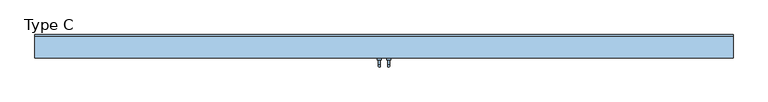
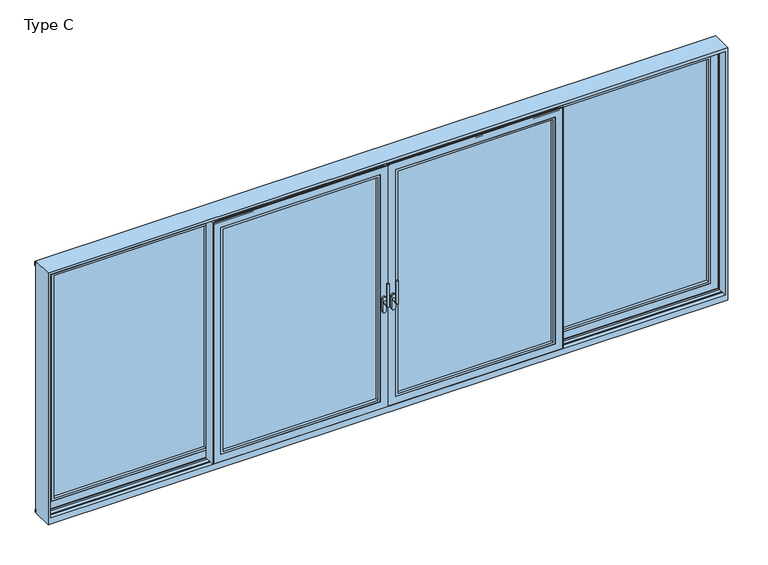
"""IFC4 building model written with IfcOpenShell, lengths in millimetres: window geometry, Type C."""

from ifc_helpers import new_model, si_unit, point, frame, frame_2d, origin, place, context, project, spatial, polyline, circle_curve, ellipse_curve, trimmed, segment, composite_curve, outline, extrude, faceted_brep, source, transform, mapped, element, save
from ifc_brep_helpers import plane_surface, cylinder_surface, advanced_brep


def type_c_1e864a98(model_context):
    return source(origin(), model_context, "Body", "SolidModel", [
        advanced_brep(
        [(30.0, -111.0, 995.0), (50.0, -111.0, 995.0), (30.0, -163.0, 995.0), (50.0, -163.0, 995.0), (30.0, -163.0, 1195.0), (50.0, -163.0, 1195.0)],
        [
            (0, 1, circle_curve(frame((40.0, -111.0, 995.0), z_axis=(0.0, 1.0, 0.0), x_axis=(1.0000000000000009, 0.0, 0.0)), 10.0)),
            (1, 0, circle_curve(frame((40.0, -111.0, 995.0), z_axis=(0.0, 1.0, 0.0), x_axis=(1.0000000000000009, 0.0, 0.0)), 10.0)),
            (0, 2),
            (2, 3, ellipse_curve(frame((40.0, -163.0, 995.0), z_axis=(0.0, 0.7071067811865475, -0.7071067811865475), x_axis=(0.0, 0.7071067811865476, 0.7071067811865474)), 14.1421356, 10.0)),
            (3, 1),
            (3, 2, ellipse_curve(frame((40.0, -163.0, 995.0), z_axis=(0.0, 0.7071067811865475, -0.7071067811865475), x_axis=(0.0, 0.7071067811865476, 0.7071067811865474)), 14.1421356, 10.0)),
            (4, 5, circle_curve(frame((40.0, -163.0, 1195.0), z_axis=(0.0, 0.0, 1.0), x_axis=(1.0000000000000009, 0.0, 0.0)), 10.0)),
            (5, 4, circle_curve(frame((40.0, -163.0, 1195.0), z_axis=(0.0, 0.0, 1.0), x_axis=(1.0000000000000009, 0.0, 0.0)), 10.0)),
            (2, 4),
            (5, 3),
        ],
        [
            plane_surface(frame((40.0, -111.0, 995.0), z_axis=(0.0, 1.0, 0.0), x_axis=(1.0, 0.0, 0.0))),
            cylinder_surface(frame((40.0, -111.0, 995.0), z_axis=(0.0, 1.0000000000000009, 0.0), x_axis=(1.0000000000000009, 0.0, 0.0)), 10.0),
            plane_surface(frame((40.0, -163.0, 1195.0), z_axis=(0.0, 0.0, 1.0), x_axis=(1.0, 0.0, 0.0))),
            cylinder_surface(frame((40.0, -163.0, 995.0), z_axis=(0.0, 0.0, -1.0), x_axis=(1.0000000000000009, 0.0, 0.0)), 10.0),
        ],
        [
            (0, [[1, 2]]),
            (1, [[-1, 3, 4, 5]]),
            (1, [[-2, -5, 6, -3]]),
            (2, [[7, 8]]),
            (3, [[-4, 9, -8, 10]]),
            (3, [[-6, -10, -7, -9]]),
        ],
    ),
        extrude(outline(composite_curve([segment(trimmed(circle_curve(frame_2d((913.2823932, 40.0)), 16.75), [point((913.2823932, 23.25))], [point((913.2823932, 56.75))], False, "CARTESIAN"), True, "CONTINUOUS"), segment(polyline([(913.2823932, 56.75), (1025.0099288, 56.75)]), True, "CONTINUOUS"), segment(trimmed(circle_curve(frame_2d((1025.0099288, 40.0)), 16.75), [point((1025.0099288, 56.75))], [point((1025.0099288, 23.25))], False, "CARTESIAN"), True, "CONTINUOUS"), segment(polyline([(1025.0099288, 23.25), (913.2823932, 23.25)]), True, "CONTINUOUS")], self_intersect=False)), frame((0.0, -111.0, 0.0), z_axis=(0.0, 1.0, 0.0), x_axis=(0.0, 0.0, 1.0)), (0.0, 0.0, 1.0), 16.0),
        extrude(outline(polyline([(1542.5, 4.0), (1542.5, -95.0), (1536.5, -95.0), (1536.5, -92.0), (1519.5, -92.0), (1519.5, -18.0), (1534.5, -18.0), (1534.5, -15.0), (1486.5, -15.0), (1486.5, -9.0), (1501.0, -9.0), (1501.0, 1.0013087), (1495.0, 1.0013087), (1495.0, 4.0), (1542.5, 4.0)])), frame((0.0, 0.0, 3.5), z_axis=(0.0, 0.0, 1.0), x_axis=(1.0, 0.0, 0.0)), (0.0, 0.0, 1.0), 2241.5),
        faceted_brep([(1519.5, -92.0, 2230.0), (1519.5, -18.0, 2230.0), (18.5, -18.0, 2230.0), (18.5, -92.0, 2230.0), (3.5, -18.0, 2245.0), (3.5, -15.0, 2245.0), (3.5, -15.0, 3.5), (3.5, -18.0, 3.5), (1534.5, -15.0, 3.5), (1534.5, -18.0, 3.5), (1534.5, -15.0, 2245.0), (1449.5, -15.0, 88.5), (1449.5, -15.0, 2160.0), (88.5, -15.0, 2160.0), (88.5, -15.0, 88.5), (1534.5, -18.0, 2245.0), (18.5, -18.0, 18.5), (1519.5, -18.0, 18.5), (3.5, -95.0, 2245.0), (3.5, -92.0, 2245.0), (3.5, -92.0, 3.5), (3.5, -95.0, 3.5), (1534.5, -92.0, 3.5), (1534.5, -95.0, 3.5), (1534.5, -92.0, 2245.0), (1519.5, -92.0, 18.5), (18.5, -92.0, 18.5), (1534.5, -95.0, 2245.0), (68.5, -95.0, 68.5), (68.5, -95.0, 2180.0), (1469.5, -95.0, 2180.0), (1469.5, -95.0, 68.5), (68.5, -23.0, 2180.0), (68.5, -23.0, 68.5), (1469.5, -23.0, 68.5), (1469.5, -23.0, 2180.0), (88.5, -23.0, 88.5), (88.5, -23.0, 2160.0), (1449.5, -23.0, 2160.0), (1449.5, -23.0, 88.5)], [[[0, 1, 2, 3]], [[4, 5, 6, 7]], [[7, 6, 8, 9]], [[6, 5, 10, 8], [11, 12, 13, 14]], [[9, 8, 10, 15]], [[9, 15, 4, 7], [16, 2, 1, 17]], [[18, 19, 20, 21]], [[21, 20, 22, 23]], [[20, 19, 24, 22], [25, 0, 3, 26]], [[23, 22, 24, 27]], [[23, 27, 18, 21], [28, 29, 30, 31]], [[32, 29, 28, 33]], [[33, 28, 31, 34]], [[34, 31, 30, 35]], [[34, 35, 32, 33], [36, 37, 38, 39]], [[13, 37, 36, 14]], [[14, 36, 39, 11]], [[11, 39, 38, 12]], [[3, 2, 16, 26]], [[25, 17, 1, 0]], [[26, 16, 17, 25]], [[15, 10, 5, 4]], [[27, 24, 19, 18]], [[35, 30, 29, 32]], [[12, 38, 37, 13]]]),
        extrude(outline(polyline([(2180.0, 68.5), (68.5, 68.5), (68.5, 1469.5), (2180.0, 1469.5), (2180.0, 68.5)]), holes=[polyline([(2160.0, 1449.5), (88.5, 1449.5), (88.5, 88.5), (2160.0, 88.5), (2160.0, 1449.5)])]), frame((0.0, -94.5, 0.0), z_axis=(0.0, 1.0, 0.0), x_axis=(0.0, 0.0, 1.0)), (0.0, 0.0, 1.0), 25.5),
        extrude(outline(polyline([(68.5, -23.0), (1469.5, -23.0), (1469.5, -69.0), (68.5, -69.0), (68.5, -23.0)])), frame((0.0, 0.0, 68.5), z_axis=(0.0, 0.0, 1.0), x_axis=(1.0, 0.0, 0.0)), (0.0, 0.0, 1.0), 2111.5),
        extrude(outline(polyline([(1519.5, -46.0), (1519.5, -64.0), (18.5, -64.0), (18.5, -46.0), (1519.5, -46.0)])), frame((0.0, 0.0, 2230.0), z_axis=(0.0, 0.0, 1.0), x_axis=(1.0, 0.0, 0.0)), (0.0, 0.0, 1.0), 20.0),
        extrude(outline(polyline([(2946.5, 87.0), (2965.0, 87.0), (2965.0, 80.0), (2946.5, 80.0), (2946.5, 87.0)])), frame((0.0, 0.0, 18.5), z_axis=(0.0, 0.0, 1.0), x_axis=(1.0, 0.0, 0.0)), (0.0, 0.0, 1.0), 2211.5),
        extrude(outline(polyline([(2946.5, 20.0), (2965.0, 20.0), (2965.0, 13.0), (2946.5, 13.0), (2946.5, 20.0)])), frame((0.0, 0.0, 18.5), z_axis=(0.0, 0.0, 1.0), x_axis=(1.0, 0.0, 0.0)), (0.0, 0.0, 1.0), 2211.5),
        extrude(outline(polyline([(1495.0, -9.0), (1447.5, -9.0), (1447.5, 90.0), (1453.5, 90.0), (1453.5, 87.0), (1470.5, 87.0), (1470.5, 13.0), (1455.5, 13.0), (1455.5, 10.0), (1503.5, 10.0), (1503.5, 4.0), (1489.0, 4.0), (1489.0, -6.0013087), (1495.0, -6.0013087), (1495.0, -9.0)])), frame((0.0, 0.0, 3.5), z_axis=(0.0, 0.0, 1.0), x_axis=(1.0, 0.0, 0.0)), (0.0, 0.0, 1.0), 2241.5),
        faceted_brep([(2961.5, 87.0, 2245.0), (2961.5, 87.0, 3.5), (2961.5, 90.0, 3.5), (2961.5, 90.0, 2245.0), (1455.5, 87.0, 3.5), (1455.5, 90.0, 3.5), (1455.5, 90.0, 2245.0), (1540.5, 90.0, 88.5), (2876.5, 90.0, 88.5), (2876.5, 90.0, 2160.0), (1540.5, 90.0, 2160.0), (1455.5, 87.0, 2245.0), (2946.5, 87.0, 18.5), (1470.5, 87.0, 18.5), (1470.5, 87.0, 2230.0), (2946.5, 87.0, 2230.0), (2961.5, 13.0, 3.5), (1455.5, 13.0, 3.5), (1455.5, 13.0, 2245.0), (2961.5, 13.0, 2245.0), (1470.5, 13.0, 18.5), (2946.5, 13.0, 18.5), (2946.5, 13.0, 2230.0), (1470.5, 13.0, 2230.0), (2961.5, 10.0, 2245.0), (2961.5, 10.0, 3.5), (1455.5, 10.0, 3.5), (1455.5, 10.0, 2245.0), (2896.5, 10.0, 68.5), (1520.5, 10.0, 68.5), (1520.5, 10.0, 2180.0), (2896.5, 10.0, 2180.0), (2896.5, 82.0, 2180.0), (2896.5, 82.0, 68.5), (1520.5, 82.0, 68.5), (1520.5, 82.0, 2180.0), (2876.5, 82.0, 88.5), (1540.5, 82.0, 88.5), (1540.5, 82.0, 2160.0), (2876.5, 82.0, 2160.0)], [[[0, 1, 2, 3]], [[1, 4, 5, 2]], [[2, 5, 6, 3], [7, 8, 9, 10]], [[4, 11, 6, 5]], [[4, 1, 0, 11], [12, 13, 14, 15]], [[16, 17, 18, 19], [20, 21, 22, 23]], [[24, 25, 16, 19]], [[25, 26, 17, 16]], [[26, 27, 18, 17]], [[26, 25, 24, 27], [28, 29, 30, 31]], [[32, 33, 28, 31]], [[33, 34, 29, 28]], [[34, 35, 30, 29]], [[34, 33, 32, 35], [36, 37, 38, 39]], [[9, 8, 36, 39]], [[8, 7, 37, 36]], [[7, 10, 38, 37]], [[11, 0, 3, 6]], [[27, 24, 19, 18]], [[35, 32, 31, 30]], [[10, 9, 39, 38]], [[22, 21, 12, 15]], [[20, 23, 14, 13]], [[21, 20, 13, 12]], [[23, 22, 15, 14]]]),
        extrude(outline(polyline([(2180.0, 2896.5), (2180.0, 1520.5), (68.5, 1520.5), (68.5, 2896.5), (2180.0, 2896.5)]), holes=[polyline([(2160.0, 1540.5), (2160.0, 2876.5), (88.5, 2876.5), (88.5, 1540.5), (2160.0, 1540.5)])]), frame((0.0, 10.5, 0.0), z_axis=(0.0, 1.0, 0.0), x_axis=(0.0, 0.0, 1.0)), (0.0, 0.0, 1.0), 25.5),
        extrude(outline(polyline([(2896.5, 82.0), (2896.5, 36.0), (1520.5, 36.0), (1520.5, 82.0), (2896.5, 82.0)])), frame((0.0, 0.0, 68.5), z_axis=(0.0, 0.0, 1.0), x_axis=(1.0, 0.0, 0.0)), (0.0, 0.0, 1.0), 2111.5),
        extrude(outline(polyline([(1470.5, 59.0), (2946.5, 59.0), (2946.5, 41.0), (1470.5, 41.0), (1470.5, 59.0)])), frame((0.0, 0.0, 2230.0), z_axis=(0.0, 0.0, 1.0), x_axis=(1.0, 0.0, 0.0)), (0.0, 0.0, 1.0), 20.0),
        advanced_brep(
        [(-30.0, -111.0, 995.0), (-50.0, -111.0, 995.0), (-50.0, -163.0, 995.0), (-30.0, -163.0, 995.0), (-30.0, -163.0, 1195.0), (-50.0, -163.0, 1195.0)],
        [
            (0, 1, circle_curve(frame((-40.0, -111.0, 995.0), z_axis=(0.0, 1.0, 0.0), x_axis=(-1.0000000000000009, 0.0, 0.0)), 10.0)),
            (1, 0, circle_curve(frame((-40.0, -111.0, 995.0), z_axis=(0.0, 1.0, 0.0), x_axis=(-1.0000000000000009, 0.0, 0.0)), 10.0)),
            (1, 2),
            (2, 3, ellipse_curve(frame((-40.0, -163.0, 995.0), z_axis=(0.0, 0.7071067811865475, -0.7071067811865475), x_axis=(0.0, 0.7071067811865476, 0.7071067811865474)), 14.1421356, 10.0)),
            (3, 0),
            (3, 2, ellipse_curve(frame((-40.0, -163.0, 995.0), z_axis=(0.0, 0.7071067811865475, -0.7071067811865475), x_axis=(0.0, 0.7071067811865476, 0.7071067811865474)), 14.1421356, 10.0)),
            (4, 5, circle_curve(frame((-40.0, -163.0, 1195.0), z_axis=(0.0, 0.0, 1.0), x_axis=(-1.0000000000000009, 0.0, 0.0)), 10.0)),
            (5, 4, circle_curve(frame((-40.0, -163.0, 1195.0), z_axis=(0.0, 0.0, 1.0), x_axis=(-1.0000000000000009, 0.0, 0.0)), 10.0)),
            (2, 5),
            (4, 3),
        ],
        [
            plane_surface(frame((-40.0, -111.0, 995.0), z_axis=(0.0, 1.0, 0.0), x_axis=(-1.0, 0.0, 0.0))),
            cylinder_surface(frame((-40.0, -111.0, 995.0), z_axis=(0.0, 1.0000000000000009, 0.0), x_axis=(-1.0000000000000009, 0.0, 0.0)), 10.0),
            plane_surface(frame((-40.0, -163.0, 1195.0), z_axis=(0.0, 0.0, 1.0), x_axis=(-1.0, 0.0, 0.0))),
            cylinder_surface(frame((-40.0, -163.0, 995.0), z_axis=(0.0, 0.0, -1.0), x_axis=(-1.0000000000000009, 0.0, 0.0)), 10.0),
        ],
        [
            (0, [[1, 2]]),
            (1, [[3, 4, 5, -2]]),
            (1, [[-5, 6, -3, -1]]),
            (2, [[7, 8]]),
            (3, [[9, -7, 10, -4]]),
            (3, [[-10, -8, -9, -6]]),
        ],
    ),
        extrude(outline(composite_curve([segment(polyline([(913.2823932, -23.25), (1025.0099288, -23.25)]), True, "CONTINUOUS"), segment(trimmed(circle_curve(frame_2d((1025.0099288, -40.0)), 16.75), [point((1025.0099288, -23.25))], [point((1025.0099288, -56.75))], False, "CARTESIAN"), True, "CONTINUOUS"), segment(polyline([(1025.0099288, -56.75), (913.2823932, -56.75)]), True, "CONTINUOUS"), segment(trimmed(circle_curve(frame_2d((913.2823932, -40.0)), 16.75), [point((913.2823932, -56.75))], [point((913.2823932, -23.25))], False, "CARTESIAN"), True, "CONTINUOUS")], self_intersect=False)), frame((0.0, -111.0, 0.0), z_axis=(0.0, 1.0, 0.0), x_axis=(0.0, 0.0, 1.0)), (0.0, 0.0, 1.0), 16.0),
        extrude(outline(polyline([(3.0, -49.0), (18.5, -49.0), (18.5, -61.0), (3.0, -61.0), (3.0, -72.0), (-18.5, -72.0), (-18.5, -38.0), (3.0, -38.0), (3.0, -49.0)])), frame((0.0, 0.0, 18.5), z_axis=(0.0, 0.0, 1.0), x_axis=(1.0, 0.0, 0.0)), (0.0, 0.0, 1.0), 2211.5),
        extrude(outline(polyline([(-1542.5, 4.0), (-1495.0, 4.0), (-1495.0, 1.0013087), (-1501.0, 1.0013087), (-1501.0, -9.0), (-1486.5, -9.0), (-1486.5, -15.0), (-1534.5, -15.0), (-1534.5, -18.0), (-1519.5, -18.0), (-1519.5, -92.0), (-1536.5, -92.0), (-1536.5, -95.0), (-1542.5, -95.0), (-1542.5, 4.0)])), frame((0.0, 0.0, 3.5), z_axis=(0.0, 0.0, 1.0), x_axis=(1.0, 0.0, 0.0)), (0.0, 0.0, 1.0), 2241.5),
        faceted_brep([(-1519.5, -92.0, 2230.0), (-18.5, -92.0, 2230.0), (-18.5, -18.0, 2230.0), (-1519.5, -18.0, 2230.0), (-3.5, -18.0, 2245.0), (-3.5, -18.0, 3.5), (-3.5, -15.0, 3.5), (-3.5, -15.0, 2245.0), (-1534.5, -18.0, 3.5), (-1534.5, -15.0, 3.5), (-1534.5, -15.0, 2245.0), (-1449.5, -15.0, 88.5), (-88.5, -15.0, 88.5), (-88.5, -15.0, 2160.0), (-1449.5, -15.0, 2160.0), (-1534.5, -18.0, 2245.0), (-18.5, -18.0, 18.5), (-1519.5, -18.0, 18.5), (-3.5, -95.0, 2245.0), (-3.5, -95.0, 3.5), (-3.5, -92.0, 3.5), (-3.5, -92.0, 2245.0), (-1534.5, -95.0, 3.5), (-1534.5, -92.0, 3.5), (-1534.5, -92.0, 2245.0), (-1519.5, -92.0, 18.5), (-18.5, -92.0, 18.5), (-1534.5, -95.0, 2245.0), (-68.5, -95.0, 68.5), (-1469.5, -95.0, 68.5), (-1469.5, -95.0, 2180.0), (-68.5, -95.0, 2180.0), (-68.5, -23.0, 2180.0), (-68.5, -23.0, 68.5), (-1469.5, -23.0, 68.5), (-1469.5, -23.0, 2180.0), (-88.5, -23.0, 88.5), (-1449.5, -23.0, 88.5), (-1449.5, -23.0, 2160.0), (-88.5, -23.0, 2160.0)], [[[0, 1, 2, 3]], [[4, 5, 6, 7]], [[5, 8, 9, 6]], [[6, 9, 10, 7], [11, 12, 13, 14]], [[8, 15, 10, 9]], [[8, 5, 4, 15], [16, 17, 3, 2]], [[18, 19, 20, 21]], [[19, 22, 23, 20]], [[20, 23, 24, 21], [25, 26, 1, 0]], [[22, 27, 24, 23]], [[22, 19, 18, 27], [28, 29, 30, 31]], [[32, 33, 28, 31]], [[33, 34, 29, 28]], [[34, 35, 30, 29]], [[34, 33, 32, 35], [36, 37, 38, 39]], [[13, 12, 36, 39]], [[12, 11, 37, 36]], [[11, 14, 38, 37]], [[1, 26, 16, 2]], [[25, 0, 3, 17]], [[26, 25, 17, 16]], [[15, 4, 7, 10]], [[27, 18, 21, 24]], [[35, 32, 31, 30]], [[14, 13, 39, 38]]]),
        extrude(outline(polyline([(2180.0, -68.5), (2180.0, -1469.5), (68.5, -1469.5), (68.5, -68.5), (2180.0, -68.5)]), holes=[polyline([(2160.0, -1449.5), (2160.0, -88.5), (88.5, -88.5), (88.5, -1449.5), (2160.0, -1449.5)])]), frame((0.0, -94.5, 0.0), z_axis=(0.0, 1.0, 0.0), x_axis=(0.0, 0.0, 1.0)), (0.0, 0.0, 1.0), 25.5),
        extrude(outline(polyline([(-68.5, -23.0), (-68.5, -69.0), (-1469.5, -69.0), (-1469.5, -23.0), (-68.5, -23.0)])), frame((0.0, 0.0, 68.5), z_axis=(0.0, 0.0, 1.0), x_axis=(1.0, 0.0, 0.0)), (0.0, 0.0, 1.0), 2111.5),
        extrude(outline(polyline([(-1519.5, -46.0), (-18.5, -46.0), (-18.5, -64.0), (-1519.5, -64.0), (-1519.5, -46.0)])), frame((0.0, 0.0, 2230.0), z_axis=(0.0, 0.0, 1.0), x_axis=(1.0, 0.0, 0.0)), (0.0, 0.0, 1.0), 20.0),
        extrude(outline(polyline([(-2946.5, 87.0), (-2946.5, 80.0), (-2965.0, 80.0), (-2965.0, 87.0), (-2946.5, 87.0)])), frame((0.0, 0.0, 18.5), z_axis=(0.0, 0.0, 1.0), x_axis=(1.0, 0.0, 0.0)), (0.0, 0.0, 1.0), 2211.5),
        extrude(outline(polyline([(-2946.5, 20.0), (-2946.5, 13.0), (-2965.0, 13.0), (-2965.0, 20.0), (-2946.5, 20.0)])), frame((0.0, 0.0, 18.5), z_axis=(0.0, 0.0, 1.0), x_axis=(1.0, 0.0, 0.0)), (0.0, 0.0, 1.0), 2211.5),
        extrude(outline(polyline([(-1495.0, -9.0), (-1495.0, -6.0013087), (-1489.0, -6.0013087), (-1489.0, 4.0), (-1503.5, 4.0), (-1503.5, 10.0), (-1455.5, 10.0), (-1455.5, 13.0), (-1470.5, 13.0), (-1470.5, 87.0), (-1453.5, 87.0), (-1453.5, 90.0), (-1447.5, 90.0), (-1447.5, -9.0), (-1495.0, -9.0)])), frame((0.0, 0.0, 3.5), z_axis=(0.0, 0.0, 1.0), x_axis=(1.0, 0.0, 0.0)), (0.0, 0.0, 1.0), 2241.5),
        faceted_brep([(-2961.5, 87.0, 2245.0), (-2961.5, 90.0, 2245.0), (-2961.5, 90.0, 3.5), (-2961.5, 87.0, 3.5), (-1455.5, 90.0, 3.5), (-1455.5, 87.0, 3.5), (-1455.5, 90.0, 2245.0), (-1540.5, 90.0, 88.5), (-1540.5, 90.0, 2160.0), (-2876.5, 90.0, 2160.0), (-2876.5, 90.0, 88.5), (-1455.5, 87.0, 2245.0), (-2946.5, 87.0, 18.5), (-2946.5, 87.0, 2230.0), (-1470.5, 87.0, 2230.0), (-1470.5, 87.0, 18.5), (-2961.5, 13.0, 3.5), (-2961.5, 13.0, 2245.0), (-1455.5, 13.0, 2245.0), (-1455.5, 13.0, 3.5), (-1470.5, 13.0, 18.5), (-1470.5, 13.0, 2230.0), (-2946.5, 13.0, 2230.0), (-2946.5, 13.0, 18.5), (-2961.5, 10.0, 2245.0), (-2961.5, 10.0, 3.5), (-1455.5, 10.0, 3.5), (-1455.5, 10.0, 2245.0), (-2896.5, 10.0, 68.5), (-2896.5, 10.0, 2180.0), (-1520.5, 10.0, 2180.0), (-1520.5, 10.0, 68.5), (-2896.5, 82.0, 2180.0), (-2896.5, 82.0, 68.5), (-1520.5, 82.0, 68.5), (-1520.5, 82.0, 2180.0), (-2876.5, 82.0, 88.5), (-2876.5, 82.0, 2160.0), (-1540.5, 82.0, 2160.0), (-1540.5, 82.0, 88.5)], [[[0, 1, 2, 3]], [[3, 2, 4, 5]], [[2, 1, 6, 4], [7, 8, 9, 10]], [[5, 4, 6, 11]], [[5, 11, 0, 3], [12, 13, 14, 15]], [[16, 17, 18, 19], [20, 21, 22, 23]], [[24, 17, 16, 25]], [[25, 16, 19, 26]], [[26, 19, 18, 27]], [[26, 27, 24, 25], [28, 29, 30, 31]], [[32, 29, 28, 33]], [[33, 28, 31, 34]], [[34, 31, 30, 35]], [[34, 35, 32, 33], [36, 37, 38, 39]], [[9, 37, 36, 10]], [[10, 36, 39, 7]], [[7, 39, 38, 8]], [[11, 6, 1, 0]], [[27, 18, 17, 24]], [[35, 30, 29, 32]], [[8, 38, 37, 9]], [[22, 13, 12, 23]], [[20, 15, 14, 21]], [[23, 12, 15, 20]], [[21, 14, 13, 22]]]),
        extrude(outline(polyline([(2180.0, -2896.5), (68.5, -2896.5), (68.5, -1520.5), (2180.0, -1520.5), (2180.0, -2896.5)]), holes=[polyline([(2160.0, -1540.5), (88.5, -1540.5), (88.5, -2876.5), (2160.0, -2876.5), (2160.0, -1540.5)])]), frame((0.0, 10.5, 0.0), z_axis=(0.0, 1.0, 0.0), x_axis=(0.0, 0.0, 1.0)), (0.0, 0.0, 1.0), 25.5),
        extrude(outline(polyline([(-2896.5, 82.0), (-1520.5, 82.0), (-1520.5, 36.0), (-2896.5, 36.0), (-2896.5, 82.0)])), frame((0.0, 0.0, 68.5), z_axis=(0.0, 0.0, 1.0), x_axis=(1.0, 0.0, 0.0)), (0.0, 0.0, 1.0), 2111.5),
        extrude(outline(polyline([(-1470.5, 59.0), (-1470.5, 41.0), (-2946.5, 41.0), (-2946.5, 59.0), (-1470.5, 59.0)])), frame((0.0, 0.0, 2230.0), z_axis=(0.0, 0.0, 1.0), x_axis=(1.0, 0.0, 0.0)), (0.0, 0.0, 1.0), 20.0),
        extrude(outline(polyline([(90.0, -24.1943734), (97.0, -24.5), (97.0, -49.0), (90.0, -49.0), (90.0, -24.1943734)])), frame((-2990.0, 0.0, 0.0), z_axis=(1.0, 0.0, 0.0), x_axis=(0.0, 1.0, 0.0)), (0.0, 0.0, 1.0), 5980.0),
        extrude(outline(polyline([(105.0003684, 2275.1806742), (105.0003684, 2239.2221261), (103.0003684, 2239.2221261), (103.0003684, 2265.2221261), (90.0003684, 2265.2221261), (90.0003684, 2283.8409282), (105.0003684, 2275.1806742)])), frame((-2990.0, 0.0, 0.0), z_axis=(1.0, 0.0, 0.0), x_axis=(0.0, 1.0, 0.0)), (0.0, 0.0, 1.0), 5980.0),
        faceted_brep([(2990.0, 90.0, -55.0), (2990.0, -95.0, -55.0), (-2990.0, -95.0, -55.0), (-2990.0, 90.0, -55.0), (2990.0, -95.0, 2290.0), (2990.0, 90.0, 2290.0), (-2990.0, -95.0, 2290.0), (2965.0, -95.0, 2265.0), (2965.0, -95.0, 0.0), (-2965.0, -95.0, 0.0), (-2965.0, -95.0, 2265.0), (-2990.0, 90.0, 2290.0), (-2965.0, 90.0, 2265.0), (-2965.0, 90.0, 0.0), (2965.0, 90.0, 0.0), (2965.0, 90.0, 2265.0), (2965.0, -15.0, 2265.0), (2965.0, -15.0, 0.0), (2965.0, -52.5, 0.0), (2965.0, -52.5, 5.0), (2965.0, -57.5, 5.0), (2965.0, -57.5, 0.0), (-2965.0, -57.5, 0.0), (-2965.0, -15.0, 2265.0), (-2965.0, -57.5, 5.0), (-2965.0, -52.5, 5.0), (-2965.0, -52.5, 0.0), (-2965.0, -15.0, 0.0), (-2967.0, -15.0, 0.0), (-2967.0, -15.0, 2267.0), (2967.0, -15.0, 2267.0), (2967.0, -15.0, 0.0), (2967.0, -14.8, 0.0), (-2967.0, -14.8, 0.0), (-2967.0, 10.0, 2267.0), (-2967.0, -14.8, -4.0), (-2967.0, 9.8, -4.0), (-2967.0, 9.8, 0.0), (-2967.0, 10.0, 0.0), (2967.0, 10.0, 2267.0), (2967.0, 10.0, 0.0), (2967.0, 9.8, 0.0), (2967.0, 9.8, -4.0), (2967.0, -14.8, -4.0), (-2965.0, 10.0, 0.0), (-2965.0, 10.0, 2265.0), (2965.0, 10.0, 2265.0), (2965.0, 10.0, 0.0), (2965.0, 47.5, 0.0), (-2965.0, 47.5, 0.0), (-2965.0, 47.5, 5.0), (-2965.0, 52.5, 5.0), (-2965.0, 52.5, 0.0), (2965.0, 52.5, 0.0), (2965.0, 52.5, 5.0), (2965.0, 47.5, 5.0)], [[[0, 1, 2, 3]], [[4, 1, 0, 5]], [[2, 1, 4, 6], [7, 8, 9, 10]], [[2, 6, 11, 3]], [[0, 3, 11, 5], [12, 13, 14, 15]], [[7, 16, 17, 18, 19, 20, 21, 8]], [[9, 8, 21, 22]], [[23, 10, 9, 22, 24, 25, 26, 27]], [[16, 23, 27, 28, 29, 30, 31, 17]], [[26, 18, 17, 31, 32, 33, 28, 27]], [[25, 19, 18, 26]], [[24, 20, 19, 25]], [[22, 21, 20, 24]], [[34, 29, 28, 33, 35, 36, 37, 38]], [[30, 39, 40, 41, 42, 43, 32, 31]], [[39, 34, 38, 44, 45, 46, 47, 40]], [[48, 49, 44, 38, 37, 41, 40, 47]], [[36, 42, 41, 37]], [[35, 43, 42, 36]], [[33, 32, 43, 35]], [[12, 45, 44, 49, 50, 51, 52, 13]], [[46, 15, 14, 53, 54, 55, 48, 47]], [[14, 13, 52, 53]], [[51, 54, 53, 52]], [[50, 55, 54, 51]], [[49, 48, 55, 50]], [[4, 5, 11, 6]], [[7, 10, 23, 16]], [[30, 29, 34, 39]], [[46, 45, 12, 15]]]),
        extrude(outline(polyline([(-44.0, 2244.0917893), (-44.0, 2262.0), (-66.0, 2262.0), (-66.0, 2244.0917893), (-69.0, 2244.0917893), (-69.0, 2265.0), (-41.0, 2265.0), (-41.0, 2244.0917893), (-44.0, 2244.0917893)])), frame((-2965.0, 0.0, 0.0), z_axis=(1.0, 0.0, 0.0), x_axis=(0.0, 1.0, 0.0)), (0.0, 0.0, 1.0), 5930.0),
        extrude(outline(polyline([(61.0, 2244.0917893), (61.0, 2262.0), (39.0, 2262.0), (39.0, 2244.0917893), (36.0, 2244.0917893), (36.0, 2265.0), (64.0, 2265.0), (64.0, 2244.0917893), (61.0, 2244.0917893)])), frame((-2965.0, 0.0, 0.0), z_axis=(1.0, 0.0, 0.0), x_axis=(0.0, 1.0, 0.0)), (0.0, 0.0, 1.0), 5930.0),
    ])


if __name__ == "__main__":
    model = new_model("IFC4")
    model_context = context("Model", 3, world=origin())
    ifc_project = project(units=[si_unit("LENGTHUNIT", "METRE", prefix="MILLI")], contexts=[model_context])
    site = spatial("IfcSite", under=ifc_project)
    building = spatial("IfcBuilding", under=site)
    placement = place(None, origin())
    type_c_shape = type_c_1e864a98(model_context)
    element("IfcWindow", 1, ObjectType="Type C", at=placement, inside=building, context=model_context, shape_type="MappedRepresentation", body=[
        mapped(type_c_shape, transform((0.0, 0.0, 0.0), x_axis=(1.0, 0.0, 0.0), y_axis=(0.0, 1.0, 0.0), z_axis=(0.0, 0.0, 1.0))),
    ])
    save(model, "model.ifc")
